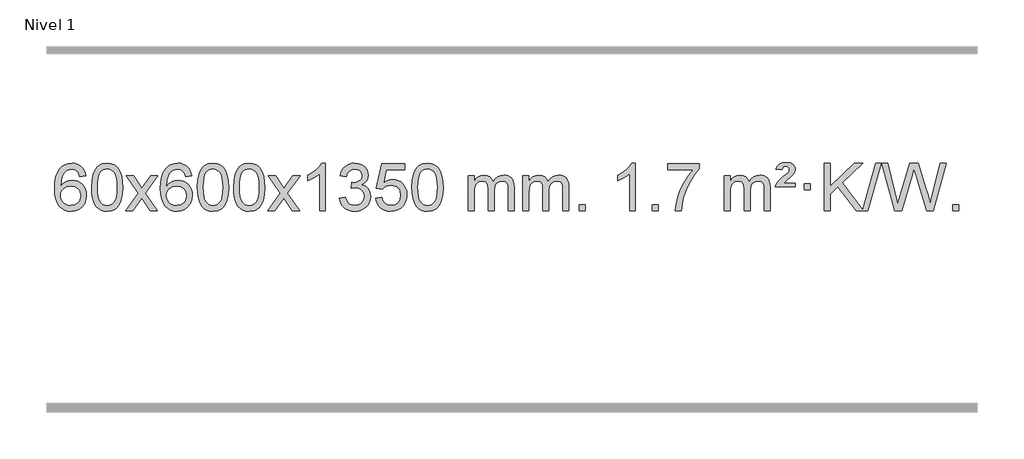
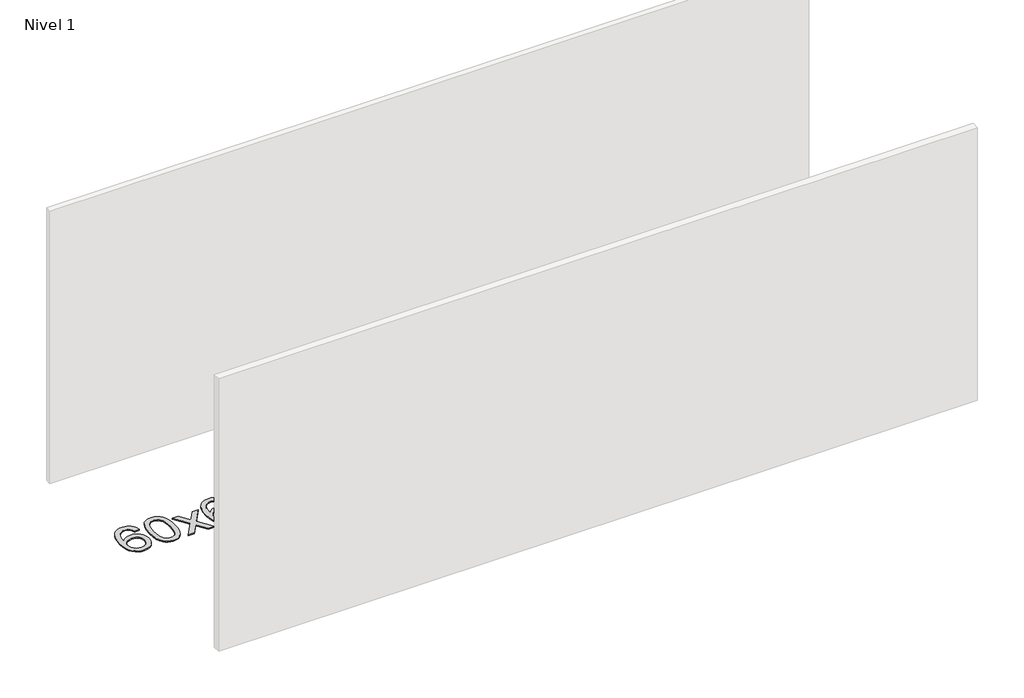
# One storey, part 7 of 16: 1 proxy.
"""IFC4 building model written with IfcOpenShell, lengths in millimetres."""

from ifc_helpers import new_model, si_unit, origin, origin_with_axes, place, context, project, spatial, polyline, outline, extrude, element, save

model = new_model("IFC4")

# Units and contexts
model_context = context("Model", 3, world=origin())
ifc_project = project(units=[si_unit("LENGTHUNIT", "METRE", prefix="MILLI")], contexts=[model_context])

# Site, building, storey
site = spatial("IfcSite", under=ifc_project)
building = spatial("IfcBuilding", under=site)
storey = spatial("IfcBuildingStorey", under=building, Name="Nivel 1", Elevation=0.0)

# Proxy
placement = place(None, origin())
element("IfcBuildingElementProxy", 1, Name="Texto de modelo 1", ObjectType="Texto de modelo 1", at=placement, inside=storey, context=model_context, shape_type="SweptSolid", body=[
    extrude(outline(polyline([(-12698.7504157, -96.4890419), (-12748.9785708, -102.7675613), (-12757.0719747, -77.874213), (-12768.0103327, -60.8780648), (-12790.7944909, -45.2062918), (-12818.3365896, -39.9823675), (-12841.6848336, -43.0235253), (-12863.6596514, -52.1469988), (-12882.5319978, -71.3627017), (-12897.9462534, -97.8134171), (-12908.3573138, -135.227016), (-12912.2200748, -187.3313693), (-12892.0724042, -163.8237098), (-12867.9270826, -147.2567573), (-12841.1330106, -137.434308), (-12813.0390889, -134.1601582), (-12788.90603, -136.398107), (-12766.6369065, -143.1119534), (-12746.2317185, -154.3016975), (-12727.690466, -169.9673391), (-12712.2823418, -189.1769106), (-12701.2765387, -210.9984443), (-12694.6730569, -235.4319401), (-12692.4718963, -262.4773982), (-12696.6167001, -298.4439945), (-12709.0511116, -331.786366), (-12728.745061, -360.0642287), (-12754.668479, -380.8372987), (-12785.644143, -393.602804), (-12820.4948306, -397.8579724), (-12850.4373594, -395.0375437), (-12877.4797517, -386.5762579), (-12901.6220076, -372.4741147), (-12922.8641272, -352.7311143), (-12940.1821721, -326.5133908), (-12952.5522042, -292.9870783), (-12959.9742234, -252.1521768), (-12962.4482298, -204.0086864), (-12959.7013776, -150.0342663), (-12951.4608209, -103.9693092), (-12937.7265598, -65.8138149), (-12918.4985942, -35.5677835), (-12897.6580791, -15.5243462), (-12873.4943634, -1.2076052), (-12846.007447, 7.3824394), (-12815.1973299, 10.2457876), (-12792.0636838, 8.4738227), (-12771.1250669, 3.1579278), (-12752.3814792, -5.7018969), (-12735.8329208, -18.1056515), (-12721.9269814, -33.6364031), (-12711.1112507, -51.8772186), (-12703.3857288, -72.8280983), (-12698.7504157, -96.4890419)]), holes=[polyline([(-12912.2200748, -261.6925832), (-12909.313807, -283.9494439), (-12900.5950037, -305.2007605), (-12887.0569463, -323.472233), (-12869.6929161, -336.7895612), (-12848.7359051, -344.9197533), (-12824.4189053, -347.6298173), (-12791.2727375, -342.0134855), (-12777.357601, -334.9930708), (-12765.2144295, -325.1644901), (-12755.3643891, -312.9262824), (-12748.3286459, -298.6769865), (-12742.7000514, -264.1451299), (-12748.2550695, -230.9989621), (-12755.1988422, -217.3781312), (-12764.9201239, -205.725469), (-12777.1000836, -196.3904634), (-12791.4198903, -189.7226022), (-12826.4790444, -184.3883133), (-12859.5761613, -189.7226022), (-12887.25315, -205.725469), (-12898.1761796, -217.2248471), (-12905.9783436, -230.3858254), (-12910.659642, -245.2084042), (-12912.2200748, -261.6925832)])]), origin_with_axes(), (0.0, 0.0, 1.0), 10.0),
    extrude(outline(polyline([(-12648.5222606, -193.9041943), (-12644.8311779, -129.5861588), (-12633.7579299, -78.2911459), (-12615.4128811, -39.2343407), (-12603.5548181, -24.0009605), (-12589.9063961, -11.6309284), (-12574.4216298, -2.0598651), (-12557.0545339, 4.7766086), (-12516.6733536, 10.2457876), (-12485.722215, 7.008426), (-12458.0084381, -2.7036586), (-12434.8318724, -18.5103217), (-12417.4923677, -40.0314184), (-12404.3957686, -67.0830078), (-12393.94792, -99.4811488), (-12387.1053149, -140.6226186), (-12384.8244465, -193.9041943), (-12388.478741, -257.8543477), (-12399.4416244, -309.0267333), (-12417.6763087, -348.1203266), (-12429.5067805, -363.3996922), (-12443.1460055, -375.8341036), (-12458.6491659, -385.4695462), (-12476.071444, -392.3520052), (-12516.6733536, -397.8579724), (-12544.3380796, -395.4667394), (-12568.8635459, -388.2930405), (-12590.2497526, -376.3368757), (-12608.4966996, -359.5982449), (-12626.0078825, -329.3399508), (-12638.5158704, -291.6381776), (-12646.0206631, -246.4929255), (-12648.5222606, -193.9041943)]), holes=[polyline([(-12598.2941056, -193.8060924), (-12596.8225776, -237.4706195), (-12592.4079936, -272.8148822), (-12585.0503537, -299.8388804), (-12574.7496579, -318.5426142), (-12562.290721, -331.2682656), (-12548.4583579, -340.3580165), (-12533.2525688, -345.8118671), (-12516.6733536, -347.6298173), (-12500.0941383, -345.8057357), (-12484.8883492, -340.3334911), (-12471.0559862, -331.2130833), (-12458.5970493, -318.4445124), (-12448.2963534, -299.7101217), (-12440.9387135, -272.6922549), (-12436.5241295, -237.3909118), (-12435.0526016, -193.8060924), (-12436.4750786, -151.2973278), (-12440.7425098, -116.5753989), (-12447.854895, -89.6403055), (-12457.8122343, -70.4920476), (-12470.0627048, -57.1440625), (-12484.0544833, -47.6097875), (-12499.78757, -41.8892225), (-12517.2619648, -39.9823675), (-12533.7553409, -41.6623619), (-12548.7036126, -46.7023452), (-12562.10678, -55.1023175), (-12573.9648429, -66.8622786), (-12584.6088953, -87.708925), (-12592.2117899, -115.8151094), (-12596.7735266, -151.1808319), (-12598.2941056, -193.8060924)])]), origin_with_axes(), (0.0, 0.0, 1.0), 10.0),
    extrude(outline(polyline([(-12359.7103689, -391.579453), (-12252.3869282, -243.2494325), (-12353.4318496, -96.4890419), (-12293.0011005, -96.4890419), (-12244.2444734, -167.122385), (-12221.4848406, -200.4770192), (-12201.7663657, -173.2047007), (-12146.2407099, -96.4890419), (-12085.8099608, -96.4890419), (-12191.9561791, -243.2494325), (-12089.7340354, -391.579453), (-12150.1647845, -391.579453), (-12211.6746541, -302.4048574), (-12222.9563686, -286.1199477), (-12299.2796199, -391.579453), (-12359.7103689, -391.579453)])), origin_with_axes(), (0.0, 0.0, 1.0), 10.0),
    extrude(outline(polyline([(-11800.9221437, -96.4890419), (-11851.1502988, -102.7675613), (-11859.2437027, -77.874213), (-11870.1820607, -60.8780648), (-11892.9662189, -45.2062918), (-11920.5083176, -39.9823675), (-11943.8565616, -43.0235253), (-11965.8313794, -52.1469988), (-11984.7037258, -71.3627017), (-12000.1179814, -97.8134171), (-12010.5290419, -135.227016), (-12014.3918028, -187.3313693), (-11994.2441322, -163.8237098), (-11970.0988106, -147.2567573), (-11943.3047386, -137.434308), (-11915.2108169, -134.1601582), (-11891.077758, -136.398107), (-11868.8086346, -143.1119534), (-11848.4034466, -154.3016975), (-11829.862194, -169.9673391), (-11814.4540698, -189.1769106), (-11803.4482668, -210.9984443), (-11796.844785, -235.4319401), (-11794.6436244, -262.4773982), (-11798.7884282, -298.4439945), (-11811.2228396, -331.786366), (-11830.9167891, -360.0642287), (-11856.840207, -380.8372987), (-11887.815871, -393.602804), (-11922.6665587, -397.8579724), (-11952.6090874, -395.0375437), (-11979.6514797, -386.5762579), (-12003.7937357, -372.4741147), (-12025.0358552, -352.7311143), (-12042.3539001, -326.5133908), (-12054.7239322, -292.9870783), (-12062.1459515, -252.1521768), (-12064.6199579, -204.0086864), (-12061.8731057, -150.0342663), (-12053.632549, -103.9693092), (-12039.8982878, -65.8138149), (-12020.6703222, -35.5677835), (-11999.8298072, -15.5243462), (-11975.6660915, -1.2076052), (-11948.179175, 7.3824394), (-11917.3690579, 10.2457876), (-11894.2354118, 8.4738227), (-11873.2967949, 3.1579278), (-11854.5532073, -5.7018969), (-11838.0046489, -18.1056515), (-11824.0987094, -33.6364031), (-11813.2829788, -51.8772186), (-11805.5574569, -72.8280983), (-11800.9221437, -96.4890419)]), holes=[polyline([(-12014.3918028, -261.6925832), (-12011.485535, -283.9494439), (-12002.7667318, -305.2007605), (-11989.2286743, -323.472233), (-11971.8646442, -336.7895612), (-11950.9076332, -344.9197533), (-11926.5906333, -347.6298173), (-11893.4444655, -342.0134855), (-11879.5293291, -334.9930708), (-11867.3861575, -325.1644901), (-11857.5361171, -312.9262824), (-11850.500374, -298.6769865), (-11844.8717794, -264.1451299), (-11850.4267976, -230.9989621), (-11857.3705702, -217.3781312), (-11867.0918519, -205.725469), (-11879.2718117, -196.3904634), (-11893.5916183, -189.7226022), (-11928.6507725, -184.3883133), (-11961.7478893, -189.7226022), (-11989.4248781, -205.725469), (-12000.3479076, -217.2248471), (-12008.1500716, -230.3858254), (-12012.83137, -245.2084042), (-12014.3918028, -261.6925832)])]), origin_with_axes(), (0.0, 0.0, 1.0), 10.0),
    extrude(outline(polyline([(-11750.6939887, -193.9041943), (-11747.002906, -129.5861588), (-11735.9296579, -78.2911459), (-11717.5846091, -39.2343407), (-11705.7265461, -24.0009605), (-11692.0781241, -11.6309284), (-11676.5933578, -2.0598651), (-11659.2262619, 4.7766086), (-11618.8450816, 10.2457876), (-11587.8939431, 7.008426), (-11560.1801661, -2.7036586), (-11537.0036004, -18.5103217), (-11519.6640957, -40.0314184), (-11506.5674967, -67.0830078), (-11496.119648, -99.4811488), (-11489.2770429, -140.6226186), (-11486.9961745, -193.9041943), (-11490.650469, -257.8543477), (-11501.6133525, -309.0267333), (-11519.8480367, -348.1203266), (-11531.6785085, -363.3996922), (-11545.3177335, -375.8341036), (-11560.8208939, -385.4695462), (-11578.2431721, -392.3520052), (-11618.8450816, -397.8579724), (-11646.5098076, -395.4667394), (-11671.035274, -388.2930405), (-11692.4214806, -376.3368757), (-11710.6684276, -359.5982449), (-11728.1796106, -329.3399508), (-11740.6875984, -291.6381776), (-11748.1923911, -246.4929255), (-11750.6939887, -193.9041943)]), holes=[polyline([(-11700.4658336, -193.8060924), (-11698.9943056, -237.4706195), (-11694.5797217, -272.8148822), (-11687.2220818, -299.8388804), (-11676.9213859, -318.5426142), (-11664.462449, -331.2682656), (-11650.630086, -340.3580165), (-11635.4242968, -345.8118671), (-11618.8450816, -347.6298173), (-11602.2658663, -345.8057357), (-11587.0600772, -340.3334911), (-11573.2277142, -331.2130833), (-11560.7687773, -318.4445124), (-11550.4680814, -299.7101217), (-11543.1104415, -272.6922549), (-11538.6958576, -237.3909118), (-11537.2243296, -193.8060924), (-11538.6468066, -151.2973278), (-11542.9142378, -116.5753989), (-11550.026623, -89.6403055), (-11559.9839624, -70.4920476), (-11572.2344328, -57.1440625), (-11586.2262114, -47.6097875), (-11601.959298, -41.8892225), (-11619.4336928, -39.9823675), (-11635.9270689, -41.6623619), (-11650.8753406, -46.7023452), (-11664.278508, -55.1023175), (-11676.136571, -66.8622786), (-11686.7806234, -87.708925), (-11694.3835179, -115.8151094), (-11698.9452547, -151.1808319), (-11700.4658336, -193.8060924)])]), origin_with_axes(), (0.0, 0.0, 1.0), 10.0),
    extrude(outline(polyline([(-11443.0465388, -193.9041943), (-11439.3554561, -129.5861588), (-11428.2822081, -78.2911459), (-11409.9371593, -39.2343407), (-11398.0790963, -24.0009605), (-11384.4306743, -11.6309284), (-11368.945908, -2.0598651), (-11351.5788121, 4.7766086), (-11311.1976318, 10.2457876), (-11280.2464932, 7.008426), (-11252.5327163, -2.7036586), (-11229.3561506, -18.5103217), (-11212.0166459, -40.0314184), (-11198.9200468, -67.0830078), (-11188.4721982, -99.4811488), (-11181.6295931, -140.6226186), (-11179.3487247, -193.9041943), (-11183.0030192, -257.8543477), (-11193.9659026, -309.0267333), (-11212.2005869, -348.1203266), (-11224.0310587, -363.3996922), (-11237.6702837, -375.8341036), (-11253.1734441, -385.4695462), (-11270.5957222, -392.3520052), (-11311.1976318, -397.8579724), (-11338.8623578, -395.4667394), (-11363.3878241, -388.2930405), (-11384.7740308, -376.3368757), (-11403.0209778, -359.5982449), (-11420.5321607, -329.3399508), (-11433.0401486, -291.6381776), (-11440.5449413, -246.4929255), (-11443.0465388, -193.9041943)]), holes=[polyline([(-11392.8183838, -193.8060924), (-11391.3468558, -237.4706195), (-11386.9322718, -272.8148822), (-11379.5746319, -299.8388804), (-11369.2739361, -318.5426142), (-11356.8149992, -331.2682656), (-11342.9826361, -340.3580165), (-11327.776847, -345.8118671), (-11311.1976318, -347.6298173), (-11294.6184165, -345.8057357), (-11279.4126274, -340.3334911), (-11265.5802644, -331.2130833), (-11253.1213275, -318.4445124), (-11242.8206316, -299.7101217), (-11235.4629917, -272.6922549), (-11231.0484077, -237.3909118), (-11229.5768798, -193.8060924), (-11230.9993568, -151.2973278), (-11235.266788, -116.5753989), (-11242.3791732, -89.6403055), (-11252.3365125, -70.4920476), (-11264.586983, -57.1440625), (-11278.5787615, -47.6097875), (-11294.3118482, -41.8892225), (-11311.786243, -39.9823675), (-11328.2796191, -41.6623619), (-11343.2278908, -46.7023452), (-11356.6310582, -55.1023175), (-11368.4891211, -66.8622786), (-11379.1331735, -87.708925), (-11386.7360681, -115.8151094), (-11391.2978048, -151.1808319), (-11392.8183838, -193.8060924)])]), origin_with_axes(), (0.0, 0.0, 1.0), 10.0),
    extrude(outline(polyline([(-11154.2346472, -391.579453), (-11046.9112064, -243.2494325), (-11147.9561278, -96.4890419), (-11087.5253787, -96.4890419), (-11038.7687516, -167.122385), (-11016.0091188, -200.4770192), (-10996.2906439, -173.2047007), (-10940.7649881, -96.4890419), (-10880.334239, -96.4890419), (-10986.4804574, -243.2494325), (-10884.2583136, -391.579453), (-10944.6890627, -391.579453), (-11006.1989323, -302.4048574), (-11017.4806468, -286.1199477), (-11093.8038981, -391.579453), (-11154.2346472, -391.579453)])), origin_with_axes(), (0.0, 0.0, 1.0), 10.0),
    extrude(outline(polyline([(-10664.5101352, -391.579453), (-10714.7382902, -391.579453), (-10714.7382902, -78.4382987), (-10735.707564, -95.3976587), (-10762.317695, -112.3324932), (-10815.1946004, -137.6918254), (-10815.1946004, -90.2105225), (-10775.7453878, -68.7507395), (-10741.5691504, -43.219729), (-10714.6279257, -16.0700378), (-10696.8837508, 10.2457876), (-10664.5101352, 10.2457876), (-10664.5101352, -391.579453)])), origin_with_axes(), (0.0, 0.0, 1.0), 10.0),
    extrude(outline(polyline([(-10545.2182669, -284.8446235), (-10494.9901118, -278.5661041), (-10483.7451855, -310.1303793), (-10467.2763348, -331.4430095), (-10444.7742195, -343.5831154), (-10415.429499, -347.6298173), (-10380.9957442, -342.0625364), (-10366.7219228, -335.1034354), (-10354.4101387, -325.3606939), (-10337.4139905, -300.4428201), (-10331.7486078, -270.2274455), (-10337.3649396, -241.5449126), (-10354.213935, -218.2825078), (-10379.72042, -202.8682522), (-10411.3092206, -197.730167), (-10446.5277903, -203.2238715), (-10440.935984, -152.9957164), (-10432.891631, -153.5843276), (-10402.7988838, -149.979084), (-10375.8944472, -139.1633534), (-10364.8211992, -130.9841103), (-10356.9117363, -120.8673555), (-10352.1660585, -108.8130888), (-10350.584166, -94.8213102), (-10355.1704282, -73.1285352), (-10368.9292148, -55.5315131), (-10389.923014, -43.8696539), (-10416.2143139, -39.9823675), (-10442.5546648, -43.9064421), (-10464.0880242, -55.6786659), (-10479.8088481, -75.299039), (-10488.7115924, -102.7675613), (-10538.9397475, -96.4890419), (-10532.9861905, -72.5092672), (-10524.1508913, -51.3867093), (-10512.4338497, -33.1213683), (-10497.8350659, -17.713244), (-10480.8143922, -5.4811677), (-10461.8316813, 3.2560297), (-10440.886933, 8.4983481), (-10417.9801475, 10.2457876), (-10386.4036096, 6.7999596), (-10357.4022456, -3.5375245), (-10332.9503557, -19.8469596), (-10315.0222398, -41.2086408), (-10304.0225681, -65.8199463), (-10300.3560109, -91.8782543), (-10303.8386271, -116.1584659), (-10314.2864758, -138.1823347), (-10331.5524041, -156.9443165), (-10355.4892592, -171.4388671), (-10324.0476114, -184.1430586), (-10300.7484183, -205.77452), (-10286.3274441, -235.1560286), (-10281.5204527, -271.1103623), (-10283.9239484, -296.5923218), (-10291.1344355, -320.0631931), (-10303.151914, -341.5229762), (-10319.976384, -360.971671), (-10340.4735425, -377.1094278), (-10363.5090867, -388.636397), (-10389.0830168, -395.5525785), (-10417.1953326, -397.8579724), (-10442.6037157, -395.8898037), (-10465.7557559, -389.9852977), (-10486.6514532, -380.1444543), (-10505.2908077, -366.3672736), (-10520.9196611, -349.4630959), (-10532.7838554, -330.2412617), (-10540.8833907, -308.7017708), (-10545.2182669, -284.8446235)])), origin_with_axes(), (0.0, 0.0, 1.0), 10.0),
    extrude(outline(polyline([(-10237.570817, -284.8446235), (-10187.342662, -278.5661041), (-10178.1210866, -308.7201649), (-10162.0323807, -330.3148381), (-10139.1501206, -343.3010725), (-10109.5478827, -347.6298173), (-10090.418019, -346.1245668), (-10073.5444981, -341.6088153), (-10058.9273202, -334.0825628), (-10046.5664851, -323.5458094), (-10036.7379045, -310.519721), (-10029.7174898, -295.5254641), (-10024.101158, -259.6324441), (-10029.3618705, -225.8363514), (-10035.9377612, -211.9181493), (-10045.1440081, -199.9865099), (-10057.0112681, -190.4154467), (-10071.5701981, -183.5789729), (-10108.7630678, -178.1097939), (-10133.1291186, -180.2925604), (-10152.8598563, -186.8408599), (-10168.6174684, -196.8717757), (-10181.0641426, -209.5023908), (-10231.2922977, -203.2238715), (-10187.342662, 3.9672682), (-9992.708561, 3.9672682), (-9992.708561, -46.2608869), (-10146.7284897, -46.2608869), (-10168.2127982, -156.919791), (-10150.4870174, -144.2155994), (-10132.332041, -135.1411769), (-10113.7478688, -129.6965234), (-10094.734501, -127.8816388), (-10070.273414, -130.1318504), (-10047.8050212, -136.882485), (-10027.3293225, -148.1335427), (-10008.8463179, -163.8850234), (-9993.5454926, -183.1743027), (-9982.6163316, -205.038756), (-9976.0588351, -229.4783832), (-9973.8730029, -256.4931844), (-9975.8411716, -282.5147042), (-9981.7456776, -306.7213394), (-9991.586521, -329.1130902), (-10005.3637017, -349.6899565), (-10026.2348735, -370.7634634), (-10050.5886616, -385.8159684), (-10078.4250659, -394.8474714), (-10109.7440864, -397.8579724), (-10135.6644387, -395.9235262), (-10159.077062, -390.1201877), (-10179.9819564, -380.447957), (-10198.3791218, -366.9068338), (-10213.6860785, -350.1712688), (-10225.3203466, -330.915712), (-10233.2819261, -309.1401636), (-10237.570817, -284.8446235)])), origin_with_axes(), (0.0, 0.0, 1.0), 10.0),
    extrude(outline(polyline([(-9929.9233672, -193.9041943), (-9926.2322845, -129.5861588), (-9915.1590365, -78.2911459), (-9896.8139876, -39.2343407), (-9884.9559247, -24.0009605), (-9871.3075026, -11.6309284), (-9855.8227363, -2.0598651), (-9838.4556405, 4.7766086), (-9798.0744601, 10.2457876), (-9767.1233216, 7.008426), (-9739.4095446, -2.7036586), (-9716.2329789, -18.5103217), (-9698.8934742, -40.0314184), (-9685.7968752, -67.0830078), (-9675.3490265, -99.4811488), (-9668.5064214, -140.6226186), (-9666.2255531, -193.9041943), (-9669.8798475, -257.8543477), (-9680.842731, -309.0267333), (-9699.0774152, -348.1203266), (-9710.9078871, -363.3996922), (-9724.547112, -375.8341036), (-9740.0502724, -385.4695462), (-9757.4725506, -392.3520052), (-9798.0744601, -397.8579724), (-9825.7391862, -395.4667394), (-9850.2646525, -388.2930405), (-9871.6508592, -376.3368757), (-9889.8978061, -359.5982449), (-9907.4089891, -329.3399508), (-9919.9169769, -291.6381776), (-9927.4217696, -246.4929255), (-9929.9233672, -193.9041943)]), holes=[polyline([(-9879.6952121, -193.8060924), (-9878.2236842, -237.4706195), (-9873.8091002, -272.8148822), (-9866.4514603, -299.8388804), (-9856.1507644, -318.5426142), (-9843.6918275, -331.2682656), (-9829.8594645, -340.3580165), (-9814.6536754, -345.8118671), (-9798.0744601, -347.6298173), (-9781.4952449, -345.8057357), (-9766.2894558, -340.3334911), (-9752.4570927, -331.2130833), (-9739.9981558, -318.4445124), (-9729.69746, -299.7101217), (-9722.3398201, -272.6922549), (-9717.9252361, -237.3909118), (-9716.4537081, -193.8060924), (-9717.8761852, -151.2973278), (-9722.1436163, -116.5753989), (-9729.2560016, -89.6403055), (-9739.2133409, -70.4920476), (-9751.4638113, -57.1440625), (-9765.4555899, -47.6097875), (-9781.1886766, -41.8892225), (-9798.6630713, -39.9823675), (-9815.1564474, -41.6623619), (-9830.1047192, -46.7023452), (-9843.5078865, -55.1023175), (-9855.3659495, -66.8622786), (-9866.0100019, -87.708925), (-9873.6128965, -115.8151094), (-9878.1746332, -151.1808319), (-9879.6952121, -193.8060924)])]), origin_with_axes(), (0.0, 0.0, 1.0), 10.0),
    extrude(outline(polyline([(-9452.755894, -391.579453), (-9452.755894, -96.4890419), (-9402.5277389, -96.4890419), (-9402.5277389, -145.0494653), (-9387.4200517, -122.7435537), (-9367.9958823, -105.2691589), (-9344.9174185, -93.9751816), (-9318.8468478, -90.2105225), (-9290.9123416, -94.048758), (-9268.5205908, -105.5634645), (-9251.7942228, -123.9943524), (-9240.8558648, -148.5811324), (-9222.5476041, -123.0439906), (-9201.6641696, -104.803175), (-9178.205561, -93.8586857), (-9152.1717785, -90.2105225), (-9132.0639617, -91.7280358), (-9114.414823, -96.2805755), (-9099.2243623, -103.8681416), (-9086.4925796, -114.4907342), (-9076.4279413, -128.2709806), (-9069.238914, -145.3315082), (-9064.9254976, -165.6723168), (-9063.4876922, -189.2934066), (-9063.4876922, -391.579453), (-9113.7158472, -391.579453), (-9113.7158472, -210.875817), (-9114.8808069, -185.8230531), (-9118.3756858, -168.9372695), (-9124.9239854, -157.3735121), (-9135.2492067, -148.2868268), (-9148.5297467, -142.4007149), (-9163.9440023, -140.4386776), (-9191.1550072, -145.4663982), (-9213.3382915, -160.54956), (-9221.9436645, -172.1194488), (-9228.0903595, -186.7182326), (-9233.0077155, -225.0024856), (-9233.0077155, -391.579453), (-9283.2358706, -391.579453), (-9283.2358706, -205.2840106), (-9286.1421384, -176.8835206), (-9294.8609417, -156.6254854), (-9310.2016209, -144.4853796), (-9332.9735164, -140.4386776), (-9352.3241093, -143.1364789), (-9370.1541233, -151.2298828), (-9384.8694032, -164.5226856), (-9394.8757934, -182.8186835), (-9400.6147525, -208.2025411), (-9402.5277389, -242.7589232), (-9402.5277389, -391.579453), (-9452.755894, -391.579453)])), origin_with_axes(), (0.0, 0.0, 1.0), 10.0),
    extrude(outline(polyline([(-8988.1454596, -391.579453), (-8988.1454596, -96.4890419), (-8937.9173045, -96.4890419), (-8937.9173045, -145.0494653), (-8922.8096172, -122.7435537), (-8903.3854479, -105.2691589), (-8880.306984, -93.9751816), (-8854.2364133, -90.2105225), (-8826.3019071, -94.048758), (-8803.9101564, -105.5634645), (-8787.1837883, -123.9943524), (-8776.2454303, -148.5811324), (-8757.9371697, -123.0439906), (-8737.0537351, -104.803175), (-8713.5951266, -93.8586857), (-8687.561344, -90.2105225), (-8667.4535273, -91.7280358), (-8649.8043886, -96.2805755), (-8634.6139279, -103.8681416), (-8621.8821452, -114.4907342), (-8611.8175069, -128.2709806), (-8604.6284796, -145.3315082), (-8600.3150632, -165.6723168), (-8598.8772577, -189.2934066), (-8598.8772577, -391.579453), (-8649.1054128, -391.579453), (-8649.1054128, -210.875817), (-8650.2703724, -185.8230531), (-8653.7652514, -168.9372695), (-8660.3135509, -157.3735121), (-8670.6387722, -148.2868268), (-8683.9193123, -142.4007149), (-8699.3335679, -140.4386776), (-8726.5445728, -145.4663982), (-8748.7278571, -160.54956), (-8757.3332301, -172.1194488), (-8763.4799251, -186.7182326), (-8768.3972811, -225.0024856), (-8768.3972811, -391.579453), (-8818.6254362, -391.579453), (-8818.6254362, -205.2840106), (-8821.5317039, -176.8835206), (-8830.2505072, -156.6254854), (-8845.5911864, -144.4853796), (-8868.3630819, -140.4386776), (-8887.7136749, -143.1364789), (-8905.5436889, -151.2298828), (-8920.2589687, -164.5226856), (-8930.265359, -182.8186835), (-8936.0043181, -208.2025411), (-8937.9173045, -242.7589232), (-8937.9173045, -391.579453), (-8988.1454596, -391.579453)])), origin_with_axes(), (0.0, 0.0, 1.0), 10.0),
    extrude(outline(polyline([(-8510.9779863, -391.579453), (-8510.9779863, -341.3512979), (-8460.7498313, -341.3512979), (-8460.7498313, -391.579453), (-8510.9779863, -391.579453)])), origin_with_axes(), (0.0, 0.0, 1.0), 10.0),
    extrude(outline(polyline([(-8033.8105131, -391.579453), (-8084.0386682, -391.579453), (-8084.0386682, -78.4382987), (-8105.0079419, -95.3976587), (-8131.6180729, -112.3324932), (-8184.4949784, -137.6918254), (-8184.4949784, -90.2105225), (-8145.0457657, -68.7507395), (-8110.8695284, -43.219729), (-8083.9283036, -16.0700378), (-8066.1841287, 10.2457876), (-8033.8105131, 10.2457876), (-8033.8105131, -391.579453)])), origin_with_axes(), (0.0, 0.0, 1.0), 10.0),
    extrude(outline(polyline([(-7889.4045673, -391.579453), (-7889.4045673, -341.3512979), (-7839.1764122, -341.3512979), (-7839.1764122, -391.579453), (-7889.4045673, -391.579453)])), origin_with_axes(), (0.0, 0.0, 1.0), 10.0),
    extrude(outline(polyline([(-7757.5556602, -46.2608869), (-7757.5556602, 3.9672682), (-7493.8578461, 3.9672682), (-7493.8578461, -36.646904), (-7531.4431233, -84.214046), (-7568.6605184, -144.7061088), (-7601.4878551, -212.6048623), (-7625.9029569, -282.3920768), (-7637.8713845, -334.6067947), (-7644.5423113, -391.579453), (-7694.7704664, -391.579453), (-7689.3380756, -339.8061935), (-7674.8067368, -278.2717985), (-7651.5688574, -213.0463207), (-7620.016845, -150.1998132), (-7583.1795945, -93.3865704), (-7544.0860012, -46.2608869), (-7757.5556602, -46.2608869)])), origin_with_axes(), (0.0, 0.0, 1.0), 10.0),
    extrude(outline(polyline([(-7280.388187, -391.579453), (-7280.388187, -96.4890419), (-7230.1600319, -96.4890419), (-7230.1600319, -145.0494653), (-7215.0523447, -122.7435537), (-7195.6281753, -105.2691589), (-7172.5497115, -93.9751816), (-7146.4791408, -90.2105225), (-7118.5446346, -94.048758), (-7096.1528838, -105.5634645), (-7079.4265158, -123.9943524), (-7068.4881578, -148.5811324), (-7050.1798972, -123.0439906), (-7029.2964626, -104.803175), (-7005.837854, -93.8586857), (-6979.8040715, -90.2105225), (-6959.6962548, -91.7280358), (-6942.047116, -96.2805755), (-6926.8566553, -103.8681416), (-6914.1248726, -114.4907342), (-6904.0602344, -128.2709806), (-6896.871207, -145.3315082), (-6892.5577906, -165.6723168), (-6891.1199852, -189.2934066), (-6891.1199852, -391.579453), (-6941.3481403, -391.579453), (-6941.3481403, -210.875817), (-6942.5130999, -185.8230531), (-6946.0079789, -168.9372695), (-6952.5562784, -157.3735121), (-6962.8814997, -148.2868268), (-6976.1620397, -142.4007149), (-6991.5762953, -140.4386776), (-7018.7873002, -145.4663982), (-7040.9705845, -160.54956), (-7049.5759576, -172.1194488), (-7055.7226526, -186.7182326), (-7060.6400086, -225.0024856), (-7060.6400086, -391.579453), (-7110.8681636, -391.579453), (-7110.8681636, -205.2840106), (-7113.7744314, -176.8835206), (-7122.4932347, -156.6254854), (-7137.8339139, -144.4853796), (-7160.6058094, -140.4386776), (-7179.9564023, -143.1364789), (-7197.7864164, -151.2298828), (-7212.5016962, -164.5226856), (-7222.5080864, -182.8186835), (-7228.2470456, -208.2025411), (-7230.1600319, -242.7589232), (-7230.1600319, -391.579453), (-7280.388187, -391.579453)])), origin_with_axes(), (0.0, 0.0, 1.0), 10.0),
    extrude(outline(polyline([(-6847.1703495, -190.6668327), (-6843.3443767, -174.8479069), (-6835.0057182, -158.9799302), (-6813.4968842, -133.8413272), (-6781.5402016, -106.1030247), (-6737.3943621, -68.726214), (-6730.2574514, -57.1992448), (-6727.8784812, -45.3779701), (-6729.7669421, -33.2869152), (-6735.4323248, -23.5012541), (-6744.801053, -17.026531), (-6757.7995501, -14.8682899), (-6770.2339616, -16.4869707), (-6779.0876549, -21.343013), (-6785.5133271, -30.8098431), (-6790.663675, -46.2608869), (-6840.8918301, -39.9823675), (-6830.051574, -14.7701881), (-6813.4233078, 2.7900458), (-6789.6581309, 13.0907417), (-6757.4071427, 16.524307), (-6721.6244873, 12.3917659), (-6696.8782917, -0.0058573), (-6682.4573175, -18.3386434), (-6677.6503261, -40.2766731), (-6681.746079, -63.1834586), (-6694.0333376, -84.8149199), (-6714.561153, -104.6314968), (-6751.0305214, -132.6886303), (-6776.6351083, -159.2742358), (-6677.6503261, -159.2742358), (-6677.6503261, -190.6668327), (-6847.1703495, -190.6668327)])), origin_with_axes(), (0.0, 0.0, 1.0), 10.0),
    extrude(outline(polyline([(-6602.3080935, -215.7809102), (-6602.3080935, -165.5527552), (-6552.0799384, -165.5527552), (-6552.0799384, -215.7809102), (-6602.3080935, -215.7809102)])), origin_with_axes(), (0.0, 0.0, 1.0), 10.0),
    extrude(outline(polyline([(-6161.4383105, -391.579453), (-6314.8696279, -188.9009991), (-6382.559915, -253.4520265), (-6382.559915, -391.579453), (-6432.7880701, -391.579453), (-6432.7880701, 10.2457876), (-6382.559915, 10.2457876), (-6382.559915, -186.4484525), (-6176.5459977, 10.2457876), (-6106.3050621, 10.2457876), (-6279.2586508, -154.9577537), (-6104.6050409, -385.5349332), (-5993.2917132, 10.2457876), (-5947.9686514, 10.2457876), (-6060.9820003, -391.579453), (-6100.0265428, -391.579453), (-6106.3050621, -391.579453), (-6161.4383105, -391.579453)])), origin_with_axes(), (0.0, 0.0, 1.0), 10.0),
    extrude(outline(polyline([(-5833.4837745, -391.579453), (-5943.0635581, 10.2457876), (-5891.2657732, 10.2457876), (-5827.6957645, -253.844434), (-5808.0753914, -335.3670841), (-5787.0815922, -263.2622131), (-5707.4228775, 10.2457876), (-5632.7673579, 10.2457876), (-5574.8872574, -188.0180823), (-5550.0920109, -261.5944814), (-5531.8205385, -335.3670841), (-5512.7887766, -256.1988788), (-5448.6301566, 10.2457876), (-5396.8323717, 10.2457876), (-5506.5102572, -391.579453), (-5560.1719776, -391.579453), (-5656.5080094, -81.5775584), (-5669.9479649, -38.3146358), (-5685.0556522, -90.4067263), (-5772.8568217, -391.579453), (-5833.4837745, -391.579453)])), origin_with_axes(), (0.0, 0.0, 1.0), 10.0),
    extrude(outline(polyline([(-5340.3256972, -391.579453), (-5340.3256972, -341.3512979), (-5290.0975422, -341.3512979), (-5290.0975422, -391.579453), (-5340.3256972, -391.579453)])), origin_with_axes(), (0.0, 0.0, 1.0), 10.0),
])

save(model, "model.ifc")
